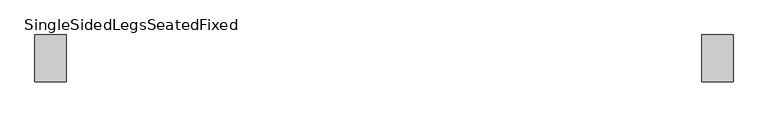
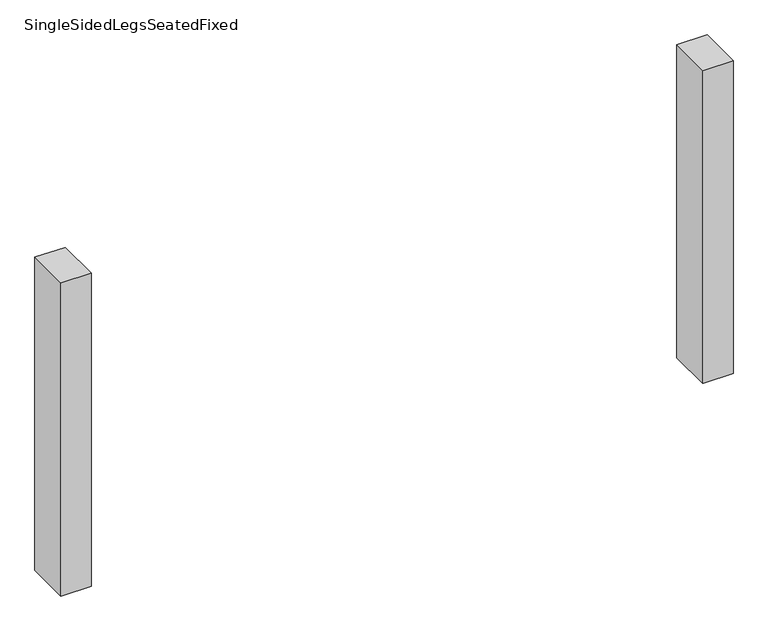
"""IFC4 building model written with IfcOpenShell, lengths in millimetres: furniture geometry, SingleSidedLegsSeatedFixed."""

from ifc_helpers import new_model, si_unit, frame, origin, place, context, project, spatial, polyline, outline, extrude, source, transform, mapped, element, save


def singlesidedlegsseatedfixed_97b06c7f(model_context):
    return source(origin(), model_context, "Body", "SweptSolid", [
        extrude(outline(polyline([(609.9999968, -44.9963087), (609.9999968, 45.0036847), (670.0, 45.0036847), (670.0, -44.9963087), (609.9999968, -44.9963087)])), frame((0.0, 0.0, 50.0), z_axis=(0.0, 0.0, 1.0), x_axis=(1.0, 0.0, 0.0)), (0.0, 0.0, 1.0), 660.0),
        extrude(outline(polyline([(-609.9999968, -44.9963087), (-670.0, -44.9963087), (-670.0, 45.0036847), (-609.9999968, 45.0036847), (-609.9999968, -44.9963087)])), frame((0.0, 0.0, 50.0), z_axis=(0.0, 0.0, 1.0), x_axis=(1.0, 0.0, 0.0)), (0.0, 0.0, 1.0), 660.0),
    ])


if __name__ == "__main__":
    model = new_model("IFC4")
    model_context = context("Model", 3, world=origin())
    ifc_project = project(units=[si_unit("LENGTHUNIT", "METRE", prefix="MILLI")], contexts=[model_context])
    site = spatial("IfcSite", under=ifc_project)
    building = spatial("IfcBuilding", under=site)
    placement = place(None, origin())
    singlesidedlegsseatedfixed_shape = singlesidedlegsseatedfixed_97b06c7f(model_context)
    element("IfcFurniture", 1, ObjectType="SingleSidedLegsSeatedFixed", at=placement, inside=building, context=model_context, shape_type="MappedRepresentation", body=[
        mapped(singlesidedlegsseatedfixed_shape, transform((0.0, 0.0, 0.0), x_axis=(1.0, 0.0, 0.0), y_axis=(0.0, 1.0, 0.0), z_axis=(0.0, 0.0, 1.0))),
    ])
    save(model, "model.ifc")
